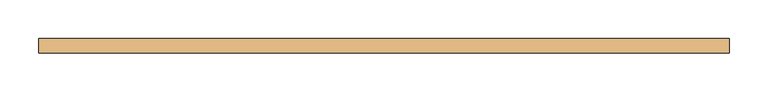
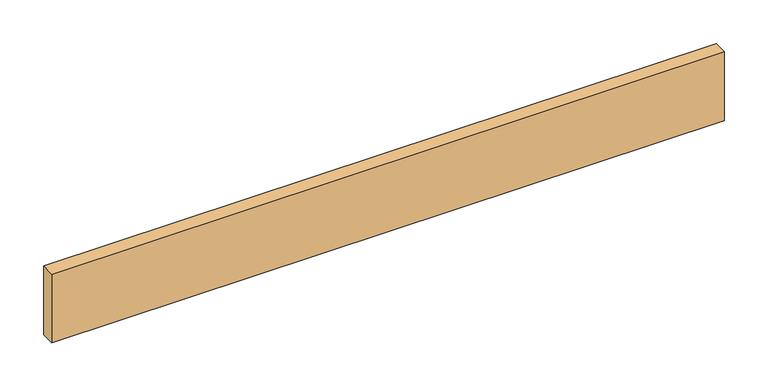
"""IFC4 building model written with IfcOpenShell, lengths in millimetres: door geometry."""

import ifcopenshell
import ifcopenshell.guid

model = None  # the IFC model being written
_history = None  # IfcOwnerHistory: only IFC2X3 demands one
_inside = {}  # id of a spatial element -> (the spatial element, [elements in it])
_under = {}  # id of a project, library or spatial element -> (it, [spatial elements below it])
_declared = {}  # id of a project -> (the project, [libraries it declares])
_typed = {}  # id of a type object -> (the type object, [elements of that type])
_made_of = {}  # id of a material, layer set ... -> (it, [elements and type objects made of it])


def new_model(schema):
    """Start an empty IFC model of exactly this schema.

    Asked for "IFC4X3", IfcOpenShell would pick the latest addendum, in which some entities
    have other attributes; the version numbers below select the first issue.
    IFC2X3 requires an IfcOwnerHistory on every rooted entity: one is made here for all.
    """
    global model, _history
    if schema == "IFC4X3":
        model = ifcopenshell.file(schema_version=(4, 3, 0, 0))
    else:
        model = ifcopenshell.file(schema=schema)
    _inside.clear()
    _under.clear()
    _declared.clear()
    _typed.clear()
    _made_of.clear()
    _history = None
    if model.schema == "IFC2X3":
        org = make("IfcOrganization", Name="unknown")
        user = make(
            "IfcPersonAndOrganization",
            ThePerson=make("IfcPerson", FamilyName="unknown"),
            TheOrganization=org,
        )
        app = make(
            "IfcApplication",
            ApplicationDeveloper=org,
            Version="unknown",
            ApplicationFullName="unknown",
            ApplicationIdentifier="unknown",
        )
        _history = make(
            "IfcOwnerHistory",
            OwningUser=user,
            OwningApplication=app,
            ChangeAction="ADDED",
            CreationDate=0,
        )
    return model


def make(cls, **values):
    """One entity of the class cls with the attributes given. An attribute that is None is left unset."""
    return model.create_entity(
        cls, **{name: value for name, value in values.items() if value is not None}
    )


def rooted(cls, **values):
    """An entity with a GlobalId (a new one), such as an element, a storey or a relation."""
    return make(cls, GlobalId=ifcopenshell.guid.new(), OwnerHistory=_history, **values)


def si_unit(unit_type, name, prefix=None):
    """IfcSIUnit, for example si_unit("LENGTHUNIT", "METRE", prefix="MILLI")."""
    return make("IfcSIUnit", UnitType=unit_type, Prefix=prefix, Name=name)


def assignment(units):
    """IfcUnitAssignment: the units of a project."""
    return None if units is None else make("IfcUnitAssignment", Units=units)


def point(xyz):
    """IfcCartesianPoint."""
    return None if xyz is None else make("IfcCartesianPoint", Coordinates=xyz)


def direction(xyz):
    """IfcDirection."""
    return None if xyz is None else make("IfcDirection", DirectionRatios=xyz)


def frame(location, z_axis=None, x_axis=None):
    """IfcAxis2Placement3D, a coordinate frame: its origin and axes. An axis left out is left unset."""
    return make(
        "IfcAxis2Placement3D",
        Location=point(location),
        Axis=direction(z_axis),
        RefDirection=direction(x_axis),
    )


def origin():
    """The frame at (0, 0, 0) with its axes left unset."""
    return frame((0.0, 0.0, 0.0))


def origin_with_axes():
    """The frame at (0, 0, 0) with the z axis (0, 0, 1) and the x axis (1, 0, 0) written out."""
    return frame((0.0, 0.0, 0.0), z_axis=(0.0, 0.0, 1.0), x_axis=(1.0, 0.0, 0.0))


def place(relative_to, where):
    """IfcLocalPlacement: puts the frame where relative to a parent placement (None: the world)."""
    return make(
        "IfcLocalPlacement", PlacementRelTo=relative_to, RelativePlacement=where
    )


def context(
    kind, dimensions, precision=None, world=None, true_north=None, identifier=None
):
    """IfcGeometricRepresentationContext, for example the 3D "Model" context."""
    return make(
        "IfcGeometricRepresentationContext",
        ContextIdentifier=identifier,
        ContextType=kind,
        CoordinateSpaceDimension=dimensions,
        Precision=precision,
        WorldCoordinateSystem=world,
        TrueNorth=true_north,
    )


def project(units=None, contexts=None):
    """IfcProject with its units and contexts."""
    return rooted(
        "IfcProject",
        Name="project",
        RepresentationContexts=contexts,
        UnitsInContext=assignment(units),
    )


def spatial(cls, under=None, at=None, **own):
    """A site, building, storey or space (cls), placed at a placement, below another one or the project."""
    s = rooted(cls, ObjectPlacement=at, **own)
    if under is not None:
        _under.setdefault(under.id(), (under, []))[1].append(s)
    return s


def polyline(points):
    """IfcPolyline through the points."""
    return make("IfcPolyline", Points=[point(p) for p in points])


def outline(outer, holes=None, kind="AREA"):
    """IfcArbitraryClosedProfileDef: a profile drawn as a closed curve; with holes, ...WithVoids."""
    if holes is None:
        return make("IfcArbitraryClosedProfileDef", ProfileType=kind, OuterCurve=outer)
    return make(
        "IfcArbitraryProfileDefWithVoids",
        ProfileType=kind,
        OuterCurve=outer,
        InnerCurves=holes,
    )


def extrude(swept, where, along, depth):
    """IfcExtrudedAreaSolid: the profile swept, set in the frame where, extruded along a direction by depth."""
    return make(
        "IfcExtrudedAreaSolid",
        SweptArea=swept,
        Position=where,
        ExtrudedDirection=direction(along),
        Depth=depth,
    )


def shape(context_of_items, identifier, shape_type, items):
    """IfcShapeRepresentation: the items that make up one representation, for example the "Body"."""
    return make(
        "IfcShapeRepresentation",
        ContextOfItems=context_of_items,
        RepresentationIdentifier=identifier,
        RepresentationType=shape_type,
        Items=items,
    )


def source(mapping_origin, context_of_items, identifier, shape_type, items):
    """IfcRepresentationMap: a shape defined once, which mapped items show again and again."""
    return make(
        "IfcRepresentationMap",
        MappingOrigin=mapping_origin,
        MappedRepresentation=shape(context_of_items, identifier, shape_type, items),
    )


def transform(
    local_origin,
    x_axis=None,
    y_axis=None,
    z_axis=None,
    scale=None,
    scale2=None,
    scale3=None,
    uniform=True,
):
    """IfcCartesianTransformationOperator3D, or its non-uniform kind. x_axis, y_axis, z_axis: its Axis1, 2, 3."""
    if uniform:
        return make(
            "IfcCartesianTransformationOperator3D",
            Axis1=direction(x_axis),
            Axis2=direction(y_axis),
            LocalOrigin=point(local_origin),
            Scale=scale,
            Axis3=direction(z_axis),
        )
    return make(
        "IfcCartesianTransformationOperator3DnonUniform",
        Axis1=direction(x_axis),
        Axis2=direction(y_axis),
        LocalOrigin=point(local_origin),
        Scale=scale,
        Axis3=direction(z_axis),
        Scale2=scale2,
        Scale3=scale3,
    )


def mapped(mapping_source, mapping_target):
    """IfcMappedItem: shows the shape of a source again, moved by a transform."""
    return make(
        "IfcMappedItem", MappingSource=mapping_source, MappingTarget=mapping_target
    )


def made_of(thing, what):
    """Note that an element or type object is made of a material, layer set ...; save() writes the relation."""
    if what is not None:
        _made_of.setdefault(what.id(), (what, []))[1].append(thing)
    return thing


def element(
    cls,
    number,
    at=None,
    inside=None,
    cuts=None,
    type_object=None,
    material=None,
    context=None,
    identifier="Body",
    shape_type=None,
    held_by="IfcProductDefinitionShape",
    body=None,
    shapes=None,
    **own,
):
    """One element of the class cls, such as IfcWall. Its Tag is "e" and its number.

    at: its placement. inside: the storey or other place that contains it. cuts: it is an
    opening in that element (IfcRelVoidsElement). A single representation is given by context,
    identifier, shape_type and body (its items); several are given by shapes. held_by: the class
    of the entity that holds the representations. save() writes the other relations.
    """
    e = rooted(cls, Tag="e%d" % number, ObjectPlacement=at, **own)
    if body is not None:
        shapes = [shape(context, identifier, shape_type, body)]
    if shapes is not None:
        e.Representation = make(held_by, Representations=shapes)
    if inside is not None:
        _inside.setdefault(inside.id(), (inside, []))[1].append(e)
    if cuts is not None:
        rooted(
            "IfcRelVoidsElement", RelatingBuildingElement=cuts, RelatedOpeningElement=e
        )
    if type_object is not None:
        _typed.setdefault(type_object.id(), (type_object, []))[1].append(e)
    return made_of(e, material)


def aggregate(whole, parts):
    """IfcRelAggregates: a whole, such as a stair, and the parts it consists of."""
    return rooted("IfcRelAggregates", RelatingObject=whole, RelatedObjects=parts)


def save(model, path):
    """Write the relations noted so far, then the file.

    IfcRelAggregates (storeys below a building ...), IfcRelContainedInSpatialStructure (elements
    in a storey), IfcRelDefinesByType, IfcRelAssociatesMaterial and IfcRelDeclares: one each for
    every whole, place, type object, material and project.
    """
    for whole, parts in _under.values():
        aggregate(whole, parts)
    for where, things in _inside.values():
        rooted(
            "IfcRelContainedInSpatialStructure",
            RelatedElements=things,
            RelatingStructure=where,
        )
    for kind, things in _typed.values():
        rooted("IfcRelDefinesByType", RelatedObjects=things, RelatingType=kind)
    for what, things in _made_of.values():
        rooted("IfcRelAssociatesMaterial", RelatedObjects=things, RelatingMaterial=what)
    for by, libraries in _declared.values():
        rooted("IfcRelDeclares", RelatingContext=by, RelatedDefinitions=libraries)
    model.write(path)


def door_365a8bcb(model_context):
    return source(origin(), model_context, "Body", "SweptSolid", [
        extrude(outline(polyline([(445.6142736, 0.0), (445.6142736, -19.05), (-445.6142736, -19.05), (-445.6142736, 0.0), (445.6142736, 0.0)])), origin_with_axes(), (0.0, 0.0, 1.0), 96.52),
    ])


if __name__ == "__main__":
    model = new_model("IFC4")
    model_context = context("Model", 3, world=origin())
    ifc_project = project(units=[si_unit("LENGTHUNIT", "METRE", prefix="MILLI")], contexts=[model_context])
    site = spatial("IfcSite", under=ifc_project)
    building = spatial("IfcBuilding", under=site)
    placement = place(None, origin())
    door_shape = door_365a8bcb(model_context)
    element("IfcDoor", 1, at=placement, inside=building, context=model_context, shape_type="MappedRepresentation", body=[
        mapped(door_shape, transform((0.0, 0.0, 0.0), x_axis=(1.0, 0.0, 0.0), y_axis=(0.0, 1.0, 0.0), z_axis=(0.0, 0.0, 1.0))),
    ])
    save(model, "model.ifc")
